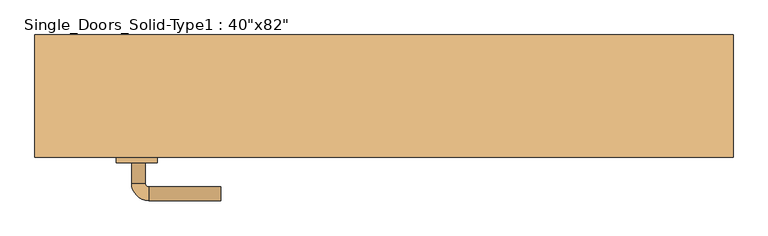
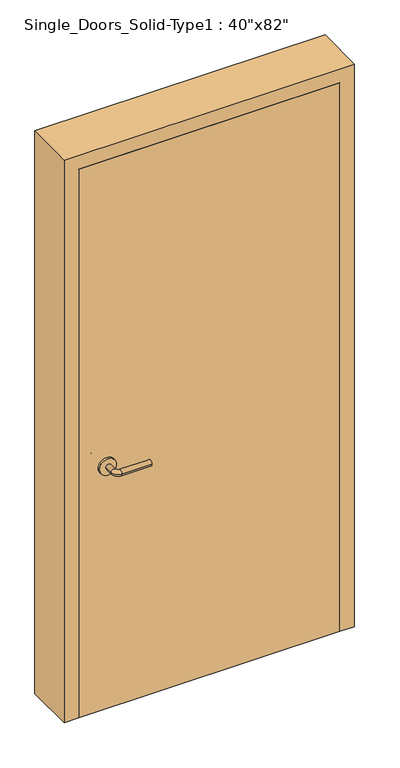
"""IFC4 building model written with IfcOpenShell, lengths in millimetres: door geometry."""

import ifcopenshell
import ifcopenshell.guid

model = None  # the IFC model being written
_history = None  # IfcOwnerHistory: only IFC2X3 demands one
_inside = {}  # id of a spatial element -> (the spatial element, [elements in it])
_under = {}  # id of a project, library or spatial element -> (it, [spatial elements below it])
_declared = {}  # id of a project -> (the project, [libraries it declares])
_typed = {}  # id of a type object -> (the type object, [elements of that type])
_made_of = {}  # id of a material, layer set ... -> (it, [elements and type objects made of it])


def new_model(schema):
    """Start an empty IFC model of exactly this schema.

    Asked for "IFC4X3", IfcOpenShell would pick the latest addendum, in which some entities
    have other attributes; the version numbers below select the first issue.
    IFC2X3 requires an IfcOwnerHistory on every rooted entity: one is made here for all.
    """
    global model, _history
    if schema == "IFC4X3":
        model = ifcopenshell.file(schema_version=(4, 3, 0, 0))
    else:
        model = ifcopenshell.file(schema=schema)
    _inside.clear()
    _under.clear()
    _declared.clear()
    _typed.clear()
    _made_of.clear()
    _history = None
    if model.schema == "IFC2X3":
        org = make("IfcOrganization", Name="unknown")
        user = make(
            "IfcPersonAndOrganization",
            ThePerson=make("IfcPerson", FamilyName="unknown"),
            TheOrganization=org,
        )
        app = make(
            "IfcApplication",
            ApplicationDeveloper=org,
            Version="unknown",
            ApplicationFullName="unknown",
            ApplicationIdentifier="unknown",
        )
        _history = make(
            "IfcOwnerHistory",
            OwningUser=user,
            OwningApplication=app,
            ChangeAction="ADDED",
            CreationDate=0,
        )
    return model


def make(cls, **values):
    """One entity of the class cls with the attributes given. An attribute that is None is left unset."""
    return model.create_entity(
        cls, **{name: value for name, value in values.items() if value is not None}
    )


def rooted(cls, **values):
    """An entity with a GlobalId (a new one), such as an element, a storey or a relation."""
    return make(cls, GlobalId=ifcopenshell.guid.new(), OwnerHistory=_history, **values)


def si_unit(unit_type, name, prefix=None):
    """IfcSIUnit, for example si_unit("LENGTHUNIT", "METRE", prefix="MILLI")."""
    return make("IfcSIUnit", UnitType=unit_type, Prefix=prefix, Name=name)


def assignment(units):
    """IfcUnitAssignment: the units of a project."""
    return None if units is None else make("IfcUnitAssignment", Units=units)


def point(xyz):
    """IfcCartesianPoint."""
    return None if xyz is None else make("IfcCartesianPoint", Coordinates=xyz)


def direction(xyz):
    """IfcDirection."""
    return None if xyz is None else make("IfcDirection", DirectionRatios=xyz)


def frame(location, z_axis=None, x_axis=None):
    """IfcAxis2Placement3D, a coordinate frame: its origin and axes. An axis left out is left unset."""
    return make(
        "IfcAxis2Placement3D",
        Location=point(location),
        Axis=direction(z_axis),
        RefDirection=direction(x_axis),
    )


def frame_2d(location, x_axis=None):
    """IfcAxis2Placement2D, a coordinate frame in the plane: its origin and x axis."""
    return make(
        "IfcAxis2Placement2D", Location=point(location), RefDirection=direction(x_axis)
    )


def origin():
    """The frame at (0, 0, 0) with its axes left unset."""
    return frame((0.0, 0.0, 0.0))


def origin_with_axes():
    """The frame at (0, 0, 0) with the z axis (0, 0, 1) and the x axis (1, 0, 0) written out."""
    return frame((0.0, 0.0, 0.0), z_axis=(0.0, 0.0, 1.0), x_axis=(1.0, 0.0, 0.0))


def place(relative_to, where):
    """IfcLocalPlacement: puts the frame where relative to a parent placement (None: the world)."""
    return make(
        "IfcLocalPlacement", PlacementRelTo=relative_to, RelativePlacement=where
    )


def context(
    kind, dimensions, precision=None, world=None, true_north=None, identifier=None
):
    """IfcGeometricRepresentationContext, for example the 3D "Model" context."""
    return make(
        "IfcGeometricRepresentationContext",
        ContextIdentifier=identifier,
        ContextType=kind,
        CoordinateSpaceDimension=dimensions,
        Precision=precision,
        WorldCoordinateSystem=world,
        TrueNorth=true_north,
    )


def project(units=None, contexts=None):
    """IfcProject with its units and contexts."""
    return rooted(
        "IfcProject",
        Name="project",
        RepresentationContexts=contexts,
        UnitsInContext=assignment(units),
    )


def spatial(cls, under=None, at=None, **own):
    """A site, building, storey or space (cls), placed at a placement, below another one or the project."""
    s = rooted(cls, ObjectPlacement=at, **own)
    if under is not None:
        _under.setdefault(under.id(), (under, []))[1].append(s)
    return s


def polyline(points):
    """IfcPolyline through the points."""
    return make("IfcPolyline", Points=[point(p) for p in points])


def circle_curve(where, radius):
    """IfcCircle in the frame where."""
    return make("IfcCircle", Position=where, Radius=radius)


def ellipse_curve(where, semi_axis1, semi_axis2):
    """IfcEllipse in the frame where."""
    return make(
        "IfcEllipse", Position=where, SemiAxis1=semi_axis1, SemiAxis2=semi_axis2
    )


def trimmed(basis, trim1, trim2, sense, master):
    """IfcTrimmedCurve: the piece of a basis curve between two trims."""
    return make(
        "IfcTrimmedCurve",
        BasisCurve=basis,
        Trim1=trim1,
        Trim2=trim2,
        SenseAgreement=sense,
        MasterRepresentation=master,
    )


def segment(curve, same_sense, transition):
    """IfcCompositeCurveSegment."""
    return make(
        "IfcCompositeCurveSegment",
        Transition=transition,
        SameSense=same_sense,
        ParentCurve=curve,
    )


def composite_curve(segments, self_intersect=None):
    """IfcCompositeCurve: segments joined end to end."""
    return make("IfcCompositeCurve", Segments=segments, SelfIntersect=self_intersect)


def outline(outer, holes=None, kind="AREA"):
    """IfcArbitraryClosedProfileDef: a profile drawn as a closed curve; with holes, ...WithVoids."""
    if holes is None:
        return make("IfcArbitraryClosedProfileDef", ProfileType=kind, OuterCurve=outer)
    return make(
        "IfcArbitraryProfileDefWithVoids",
        ProfileType=kind,
        OuterCurve=outer,
        InnerCurves=holes,
    )


def extrude(swept, where, along, depth):
    """IfcExtrudedAreaSolid: the profile swept, set in the frame where, extruded along a direction by depth."""
    return make(
        "IfcExtrudedAreaSolid",
        SweptArea=swept,
        Position=where,
        ExtrudedDirection=direction(along),
        Depth=depth,
    )


def faces_of(points, faces, orient=None, outer=None):
    """IfcFace entities. A face is a list of loops; a loop is a list of indices into points, from 0.

    orient and outer hold one flag for each loop. By default every Orientation is true, the
    first loop of a face is its IfcFaceOuterBound and the others are IfcFaceBound.
    """
    made = []
    for i, loops in enumerate(faces):
        bounds = []
        for j, loop in enumerate(loops):
            is_outer = j == 0 if outer is None else outer[i][j]
            bounds.append(
                make(
                    "IfcFaceOuterBound" if is_outer else "IfcFaceBound",
                    Bound=make("IfcPolyLoop", Polygon=[points[k] for k in loop]),
                    Orientation=True if orient is None else orient[i][j],
                )
            )
        made.append(make("IfcFace", Bounds=bounds))
    return made


def faceted_brep(points, faces, orient=None, outer=None, voids=None):
    """IfcFacetedBrep: a solid bounded by flat faces; with voids (closed shells), ...WithVoids."""
    shared = [point(p) for p in points]
    hull = make("IfcClosedShell", CfsFaces=faces_of(shared, faces, orient, outer))
    if voids is None:
        return make("IfcFacetedBrep", Outer=hull)
    return make(
        "IfcFacetedBrepWithVoids",
        Outer=hull,
        Voids=[
            make(cls, CfsFaces=faces_of(shared, fs, o, b)) for cls, fs, o, b in voids
        ],
    )


def shape(context_of_items, identifier, shape_type, items):
    """IfcShapeRepresentation: the items that make up one representation, for example the "Body"."""
    return make(
        "IfcShapeRepresentation",
        ContextOfItems=context_of_items,
        RepresentationIdentifier=identifier,
        RepresentationType=shape_type,
        Items=items,
    )


def source(mapping_origin, context_of_items, identifier, shape_type, items):
    """IfcRepresentationMap: a shape defined once, which mapped items show again and again."""
    return make(
        "IfcRepresentationMap",
        MappingOrigin=mapping_origin,
        MappedRepresentation=shape(context_of_items, identifier, shape_type, items),
    )


def transform(
    local_origin,
    x_axis=None,
    y_axis=None,
    z_axis=None,
    scale=None,
    scale2=None,
    scale3=None,
    uniform=True,
):
    """IfcCartesianTransformationOperator3D, or its non-uniform kind. x_axis, y_axis, z_axis: its Axis1, 2, 3."""
    if uniform:
        return make(
            "IfcCartesianTransformationOperator3D",
            Axis1=direction(x_axis),
            Axis2=direction(y_axis),
            LocalOrigin=point(local_origin),
            Scale=scale,
            Axis3=direction(z_axis),
        )
    return make(
        "IfcCartesianTransformationOperator3DnonUniform",
        Axis1=direction(x_axis),
        Axis2=direction(y_axis),
        LocalOrigin=point(local_origin),
        Scale=scale,
        Axis3=direction(z_axis),
        Scale2=scale2,
        Scale3=scale3,
    )


def mapped(mapping_source, mapping_target):
    """IfcMappedItem: shows the shape of a source again, moved by a transform."""
    return make(
        "IfcMappedItem", MappingSource=mapping_source, MappingTarget=mapping_target
    )


def made_of(thing, what):
    """Note that an element or type object is made of a material, layer set ...; save() writes the relation."""
    if what is not None:
        _made_of.setdefault(what.id(), (what, []))[1].append(thing)
    return thing


def element(
    cls,
    number,
    at=None,
    inside=None,
    cuts=None,
    type_object=None,
    material=None,
    context=None,
    identifier="Body",
    shape_type=None,
    held_by="IfcProductDefinitionShape",
    body=None,
    shapes=None,
    **own,
):
    """One element of the class cls, such as IfcWall. Its Tag is "e" and its number.

    at: its placement. inside: the storey or other place that contains it. cuts: it is an
    opening in that element (IfcRelVoidsElement). A single representation is given by context,
    identifier, shape_type and body (its items); several are given by shapes. held_by: the class
    of the entity that holds the representations. save() writes the other relations.
    """
    e = rooted(cls, Tag="e%d" % number, ObjectPlacement=at, **own)
    if body is not None:
        shapes = [shape(context, identifier, shape_type, body)]
    if shapes is not None:
        e.Representation = make(held_by, Representations=shapes)
    if inside is not None:
        _inside.setdefault(inside.id(), (inside, []))[1].append(e)
    if cuts is not None:
        rooted(
            "IfcRelVoidsElement", RelatingBuildingElement=cuts, RelatedOpeningElement=e
        )
    if type_object is not None:
        _typed.setdefault(type_object.id(), (type_object, []))[1].append(e)
    return made_of(e, material)


def aggregate(whole, parts):
    """IfcRelAggregates: a whole, such as a stair, and the parts it consists of."""
    return rooted("IfcRelAggregates", RelatingObject=whole, RelatedObjects=parts)


def save(model, path):
    """Write the relations noted so far, then the file.

    IfcRelAggregates (storeys below a building ...), IfcRelContainedInSpatialStructure (elements
    in a storey), IfcRelDefinesByType, IfcRelAssociatesMaterial and IfcRelDeclares: one each for
    every whole, place, type object, material and project.
    """
    for whole, parts in _under.values():
        aggregate(whole, parts)
    for where, things in _inside.values():
        rooted(
            "IfcRelContainedInSpatialStructure",
            RelatedElements=things,
            RelatingStructure=where,
        )
    for kind, things in _typed.values():
        rooted("IfcRelDefinesByType", RelatedObjects=things, RelatingType=kind)
    for what, things in _made_of.values():
        rooted("IfcRelAssociatesMaterial", RelatedObjects=things, RelatingMaterial=what)
    for by, libraries in _declared.values():
        rooted("IfcRelDeclares", RelatingContext=by, RelatedDefinitions=libraries)
    model.write(path)


def plane_surface(at):
    """IfcPlane: the flat surface through the origin of the frame at, square to its z axis."""
    return make("IfcPlane", Position=at)


def cylinder_surface(at, radius):
    """IfcCylindricalSurface: all points at the distance radius from the z axis of the frame at."""
    return make("IfcCylindricalSurface", Position=at, Radius=radius)


def revolved_surface(curve, axis_point, axis_direction):
    """IfcSurfaceOfRevolution: the curve turned about the line through axis_point along axis_direction."""
    return make(
        "IfcSurfaceOfRevolution",
        SweptCurve=make("IfcArbitraryOpenProfileDef", ProfileType="CURVE", Curve=curve),
        AxisPosition=make("IfcAxis1Placement", Location=point(axis_point), Axis=direction(axis_direction)),
    )


def advanced_brep(points, edges, surfaces, faces):
    """IfcAdvancedBrep: a solid bounded by faces that lie on surfaces and meet in shared edges.

    An edge is (start, end): straight between two places in points (the first is 0);
    or (start, end, curve); or (start, end, curve, False) where it runs against its curve.
    A face is (place in surfaces, loops), or (place, loops, False) where it looks against
    its surface's normal. A loop lists edges by number (the first is 1), with a minus sign
    where the edge is run from its end to its start. The first loop is the outer one.
    """
    corners = [point(p) for p in points]
    vertices = [make("IfcVertexPoint", VertexGeometry=c) for c in corners]
    made = []
    for start, end, *more in edges:
        made.append(
            make(
                "IfcEdgeCurve",
                EdgeStart=vertices[start],
                EdgeEnd=vertices[end],
                EdgeGeometry=more[0] if more else make("IfcPolyline", Points=[corners[start], corners[end]]),
                SameSense=more[1] if len(more) > 1 else True,
            )
        )
    hull = []
    for where, loops, *sense in faces:
        bounds = []
        for j, loop in enumerate(loops):
            ring = [make("IfcOrientedEdge", EdgeElement=made[abs(k) - 1], Orientation=k > 0) for k in loop]
            bounds.append(
                make(
                    "IfcFaceOuterBound" if j == 0 else "IfcFaceBound",
                    Bound=make("IfcEdgeLoop", EdgeList=ring),
                    Orientation=True,
                )
            )
        hull.append(make("IfcAdvancedFace", Bounds=bounds, FaceSurface=surfaces[where], SameSense=sense[0] if sense else True))
    return make("IfcAdvancedBrep", Outer=make("IfcClosedShell", CfsFaces=hull))


def door_33d2a1cd(model_context):
    return source(origin(), model_context, "Body", "SolidModel", [
        advanced_brep(
        [(-367.2, -11.05, 900.0), (-347.2, -11.05, 900.0), (-367.2, 18.95, 900.0), (-347.2, 18.95, 900.0), (-342.2, 23.95, 900.0), (-342.2, 43.95, 900.0), (-237.2, 43.95, 900.0), (-237.2, 23.95, 900.0)],
        [
            (0, 1, circle_curve(frame((-357.2, -11.05, 900.0), z_axis=(0.0, -1.0, 0.0), x_axis=(1.0, 0.0, 0.0)), 10.0)),
            (1, 0, circle_curve(frame((-357.2, -11.05, 900.0), z_axis=(0.0, -1.0, 0.0), x_axis=(1.0, 0.0, 0.0)), 10.0)),
            (0, 2),
            (2, 3, circle_curve(frame((-357.2, 18.95, 900.0), z_axis=(0.0, -1.0, 0.0), x_axis=(1.0, 0.0, 0.0)), 10.0)),
            (3, 1),
            (3, 2, circle_curve(frame((-357.2, 18.95, 900.0), z_axis=(0.0, -1.0, 0.0), x_axis=(1.0, 0.0, 0.0)), 10.0)),
            (4, 3, circle_curve(frame((-342.2, 18.95, 900.0), z_axis=(0.0, 0.0, 1.0), x_axis=(-1.0, 0.0, 0.0)), 5.0)),
            (2, 5, circle_curve(frame((-342.2, 18.95, 900.0), z_axis=(0.0, 0.0, -1.0), x_axis=(-1.0, 0.0, 0.0)), 25.0)),
            (5, 4, circle_curve(frame((-342.2, 33.95, 900.0), z_axis=(-1.0, 0.0, 0.0), x_axis=(0.0, -1.0, 0.0)), 10.0)),
            (4, 5, circle_curve(frame((-342.2, 33.95, 900.0), z_axis=(-1.0, 0.0, 0.0), x_axis=(0.0, -1.0, 0.0)), 10.0)),
            (6, 7, circle_curve(frame((-237.2, 33.95, 900.0), z_axis=(1.0, 0.0, 0.0), x_axis=(0.0, -1.0, 0.0)), 10.0)),
            (7, 6, circle_curve(frame((-237.2, 33.95, 900.0), z_axis=(1.0, 0.0, 0.0), x_axis=(0.0, -1.0, 0.0)), 10.0)),
            (5, 6),
            (7, 4),
        ],
        [
            plane_surface(frame((-357.2, -11.05, 900.0), z_axis=(0.0, -1.0, 0.0), x_axis=(0.0, 0.0, 1.0))),
            cylinder_surface(frame((-357.2, -11.05, 900.0), z_axis=(0.0, -1.0, 0.0), x_axis=(1.0, 0.0, 0.0)), 10.0),
            revolved_surface(trimmed(ellipse_curve(frame((-357.2, 18.95, 900.0), z_axis=(0.0, -1.0, 0.0), x_axis=(1.0, 0.0, 0.0)), 10.0, 10.0), [point((-367.2, 18.95, 900.0))], [point((-347.2, 18.95, 900.0))], True, "CARTESIAN"), (-342.2, 18.95, 900.0), (0.0, 0.0, -1.0)),
            revolved_surface(trimmed(ellipse_curve(frame((-357.2, 18.95, 900.0), z_axis=(0.0, -1.0, 0.0), x_axis=(1.0, 0.0, 0.0)), 10.0, 10.0), [point((-347.2, 18.95, 900.0))], [point((-367.2, 18.95, 900.0))], True, "CARTESIAN"), (-342.2, 18.95, 900.0), (0.0, 0.0, -1.0)),
            plane_surface(frame((-237.2, 33.95, 900.0), z_axis=(1.0, 0.0, 0.0), x_axis=(0.0, 0.0, 1.0))),
            cylinder_surface(frame((-342.2, 33.95, 900.0), z_axis=(-1.0, 0.0, 0.0), x_axis=(0.0, -1.0, 0.0)), 10.0),
        ],
        [
            (0, [[1, 2]]),
            (1, [[-1, 3, 4, 5]]),
            (1, [[-2, -5, 6, -3]]),
            (2, [[7, -4, 8, 9]]),
            (3, [[-8, -6, -7, 10]]),
            (4, [[11, 12]]),
            (5, [[-9, 13, -12, 14]]),
            (5, [[-10, -14, -11, -13]]),
        ],
    ),
        extrude(outline(composite_curve([segment(trimmed(circle_curve(frame_2d((900.0, -359.7)), 30.0), [point((900.0, -389.7))], [point((900.0, -329.7))], False, "CARTESIAN"), True, "CONTINUOUS"), segment(trimmed(circle_curve(frame_2d((900.0, -359.7)), 30.0), [point((900.0, -329.7))], [point((900.0, -389.7))], False, "CARTESIAN"), True, "CONTINUOUS")], self_intersect=False)), frame((0.0, -19.05, 0.0), z_axis=(0.0, 1.0, 0.0), x_axis=(0.0, 0.0, 1.0)), (0.0, 0.0, 1.0), 8.0),
        advanced_brep(
        [(-367.2, -65.15, 900.0), (-347.2, -65.15, 900.0), (-347.2, -95.15, 900.0), (-367.2, -95.15, 900.0), (-342.2, -100.15, 900.0), (-342.2, -120.15, 900.0), (-237.2, -120.15, 900.0), (-237.2, -100.15, 900.0)],
        [
            (0, 1, circle_curve(frame((-357.2, -65.15, 900.0), z_axis=(0.0, 1.0, 0.0), x_axis=(1.0, 0.0, 0.0)), 10.0)),
            (1, 0, circle_curve(frame((-357.2, -65.15, 900.0), z_axis=(0.0, 1.0, 0.0), x_axis=(1.0, 0.0, 0.0)), 10.0)),
            (1, 2),
            (2, 3, circle_curve(frame((-357.2, -95.15, 900.0), z_axis=(0.0, 1.0, 0.0), x_axis=(1.0, 0.0, 0.0)), 10.0)),
            (3, 0),
            (3, 2, circle_curve(frame((-357.2, -95.15, 900.0), z_axis=(0.0, 1.0, 0.0), x_axis=(1.0, 0.0, 0.0)), 10.0)),
            (4, 5, circle_curve(frame((-342.2, -110.15, 900.0), z_axis=(-1.0, 0.0, 0.0), x_axis=(0.0, 1.0, 0.0)), 10.0)),
            (5, 3, circle_curve(frame((-342.2, -95.15, 900.0), z_axis=(0.0, 0.0, -1.0), x_axis=(-1.0, 0.0, 0.0)), 25.0)),
            (2, 4, circle_curve(frame((-342.2, -95.15, 900.0), z_axis=(0.0, 0.0, 1.0), x_axis=(-1.0, 0.0, 0.0)), 5.0)),
            (5, 4, circle_curve(frame((-342.2, -110.15, 900.0), z_axis=(-1.0, 0.0, 0.0), x_axis=(0.0, 1.0, 0.0)), 10.0)),
            (6, 7, circle_curve(frame((-237.2, -110.15, 900.0), z_axis=(1.0, 0.0, 0.0), x_axis=(0.0, 1.0, 0.0)), 10.0)),
            (7, 6, circle_curve(frame((-237.2, -110.15, 900.0), z_axis=(1.0, 0.0, 0.0), x_axis=(0.0, 1.0, 0.0)), 10.0)),
            (4, 7),
            (6, 5),
        ],
        [
            plane_surface(frame((-357.2, -65.15, 900.0), z_axis=(0.0, 1.0, 0.0), x_axis=(0.0, 0.0, 1.0))),
            cylinder_surface(frame((-357.2, -65.15, 900.0), z_axis=(0.0, 1.0, 0.0), x_axis=(1.0, 0.0, 0.0)), 10.0),
            revolved_surface(trimmed(ellipse_curve(frame((-357.2, -95.15, 900.0), z_axis=(0.0, -1.0, 0.0), x_axis=(1.0, 0.0, 0.0)), 10.0, 10.0), [point((-367.2, -95.15, 900.0))], [point((-347.2, -95.15, 900.0))], True, "CARTESIAN"), (-342.2, -95.15, 900.0), (0.0, 0.0, -1.0)),
            revolved_surface(trimmed(ellipse_curve(frame((-357.2, -95.15, 900.0), z_axis=(0.0, -1.0, 0.0), x_axis=(1.0, 0.0, 0.0)), 10.0, 10.0), [point((-347.2, -95.15, 900.0))], [point((-367.2, -95.15, 900.0))], True, "CARTESIAN"), (-342.2, -95.15, 900.0), (0.0, 0.0, -1.0)),
            plane_surface(frame((-237.2, -110.15, 900.0), z_axis=(1.0, 0.0, 0.0), x_axis=(0.0, 0.0, 1.0))),
            cylinder_surface(frame((-342.2, -110.15, 900.0), z_axis=(-1.0, 0.0, 0.0), x_axis=(0.0, 1.0, 0.0)), 10.0),
        ],
        [
            (0, [[1, 2]]),
            (1, [[3, 4, 5, -2]]),
            (1, [[-5, 6, -3, -1]]),
            (2, [[7, 8, -4, 9]]),
            (3, [[10, -9, -6, -8]]),
            (4, [[11, 12]]),
            (5, [[13, -11, 14, -7]]),
            (5, [[-14, -12, -13, -10]]),
        ],
    ),
        extrude(outline(composite_curve([segment(trimmed(circle_curve(frame_2d((900.0, -359.7)), 30.0), [point((900.0, -389.7))], [point((900.0, -329.7))], False, "CARTESIAN"), True, "CONTINUOUS"), segment(trimmed(circle_curve(frame_2d((900.0, -359.7)), 30.0), [point((900.0, -329.7))], [point((900.0, -389.7))], False, "CARTESIAN"), True, "CONTINUOUS")], self_intersect=False)), frame((0.0, -65.15, 0.0), z_axis=(0.0, 1.0, 0.0), x_axis=(0.0, 0.0, 1.0)), (0.0, 0.0, 1.0), 8.0),
        faceted_brep([(-508.0, 120.65, 0.0), (-457.2, 120.65, 0.0), (-457.2, 82.55, 0.0), (-444.5, 82.55, 0.0), (-444.5, -19.05, 0.0), (-457.2, -19.05, 0.0), (-457.2, -57.15, 0.0), (-508.0, -57.15, 0.0), (-508.0, -57.15, 2082.8), (-508.0, 120.65, 2082.8), (-457.2, -57.15, 2032.0), (457.2, -57.15, 2032.0), (457.2, -57.15, 0.0), (508.0, -57.15, 0.0), (508.0, -57.15, 2082.8), (-457.2, -19.05, 2032.0), (-444.5, -19.05, 2019.3), (444.5, -19.05, 2019.3), (444.5, -19.05, 0.0), (457.2, -19.05, 0.0), (457.2, -19.05, 2032.0), (-444.5, 82.55, 2019.3), (-457.2, 82.55, 2032.0), (457.2, 82.55, 2032.0), (457.2, 82.55, 0.0), (444.5, 82.55, 0.0), (444.5, 82.55, 2019.3), (-457.2, 120.65, 2032.0), (508.0, 120.65, 2082.8), (508.0, 120.65, 0.0), (457.2, 120.65, 0.0), (457.2, 120.65, 2032.0)], [[[0, 1, 2, 3, 4, 5, 6, 7]], [[7, 8, 9, 0]], [[6, 10, 11, 12, 13, 14, 8, 7]], [[5, 15, 10, 6]], [[4, 16, 17, 18, 19, 20, 15, 5]], [[3, 21, 16, 4]], [[2, 22, 23, 24, 25, 26, 21, 3]], [[1, 27, 22, 2]], [[0, 9, 28, 29, 30, 31, 27, 1]], [[14, 13, 29, 28]], [[29, 13, 12, 19, 18, 25, 24, 30]], [[20, 19, 12, 11]], [[26, 25, 18, 17]], [[31, 30, 24, 23]], [[8, 14, 28, 9]], [[15, 20, 11, 10]], [[21, 26, 17, 16]], [[27, 31, 23, 22]]]),
        extrude(outline(polyline([(457.2, -19.05), (457.2, -57.15), (-457.2, -57.15), (-457.2, -19.05), (457.2, -19.05)])), origin_with_axes(), (0.0, 0.0, 1.0), 2032.0),
    ])


if __name__ == "__main__":
    model = new_model("IFC4")
    model_context = context("Model", 3, world=origin())
    ifc_project = project(units=[si_unit("LENGTHUNIT", "METRE", prefix="MILLI")], contexts=[model_context])
    site = spatial("IfcSite", under=ifc_project)
    building = spatial("IfcBuilding", under=site)
    placement = place(None, origin())
    door_shape = door_33d2a1cd(model_context)
    element("IfcDoor", 1, ObjectType="Single_Doors_Solid-Type1 : 40\"x82\"", at=placement, inside=building, context=model_context, shape_type="MappedRepresentation", body=[
        mapped(door_shape, transform((0.0, 0.0, 0.0), x_axis=(1.0, 0.0, 0.0), y_axis=(0.0, 1.0, 0.0), z_axis=(0.0, 0.0, 1.0))),
    ])
    save(model, "model.ifc")
